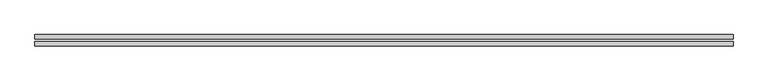
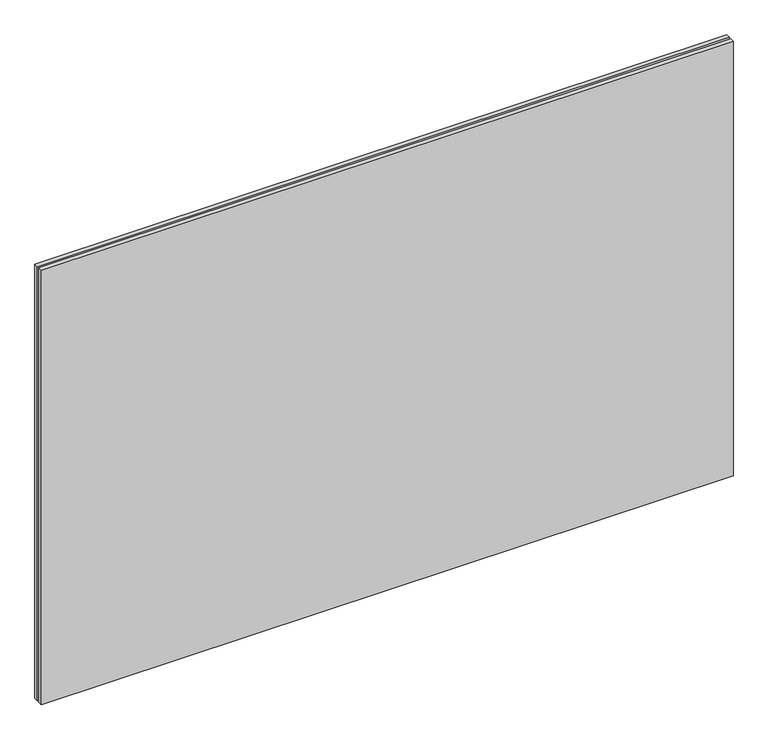
"""IFC4 building model written with IfcOpenShell, lengths in millimetres: plate geometry."""

from ifc_helpers import new_model, si_unit, origin, origin_with_axes, place, context, project, spatial, polyline, outline, extrude, source, transform, mapped, element, save


def plate_c1c1ff4f(model_context):
    return source(origin(), model_context, "Body", "SweptSolid", [
        extrude(outline(polyline([(627.75, -2.0), (627.75, -10.0), (-627.75, -10.0), (-627.75, -2.0), (627.75, -2.0)])), origin_with_axes(), (0.0, 0.0, 1.0), 833.3),
        extrude(outline(polyline([(627.75, 2.0), (-627.75, 2.0), (-627.75, 10.0), (627.75, 10.0), (627.75, 2.0)])), origin_with_axes(), (0.0, 0.0, 1.0), 833.3),
    ])


if __name__ == "__main__":
    model = new_model("IFC4")
    model_context = context("Model", 3, world=origin())
    ifc_project = project(units=[si_unit("LENGTHUNIT", "METRE", prefix="MILLI")], contexts=[model_context])
    site = spatial("IfcSite", under=ifc_project)
    building = spatial("IfcBuilding", under=site)
    placement = place(None, origin())
    plate_shape = plate_c1c1ff4f(model_context)
    element("IfcPlate", 1, at=placement, inside=building, context=model_context, shape_type="MappedRepresentation", body=[
        mapped(plate_shape, transform((0.0, 0.0, 0.0), x_axis=(1.0, 0.0, 0.0), y_axis=(0.0, 1.0, 0.0), z_axis=(0.0, 0.0, 1.0))),
    ])
    save(model, "model.ifc")
